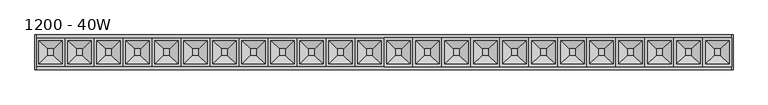
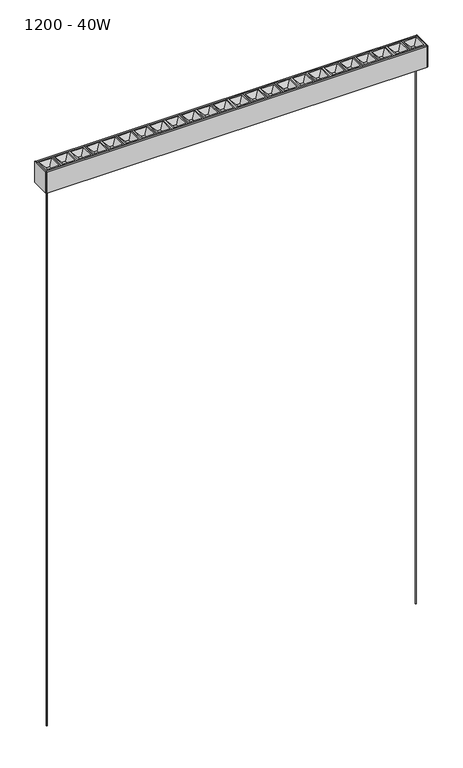
"""IFC4 building model written with IfcOpenShell, lengths in millimetres: light fixture geometry, 1200 - 40W."""

from ifc_helpers import new_model, si_unit, frame, origin, place, context, project, spatial, polyline, circle_curve, outline, extrude, faceted_brep, source, transform, mapped, element, save
from ifc_brep_helpers import plane_surface, cylinder_surface, advanced_brep


def light_fixture_1200_40w_e6d67e69(model_context):
    return source(origin(), model_context, "Body", "SolidModel", [
        faceted_brep([(600.0, 25.0, 1850.0), (600.0, 25.0, 1870.0), (600.0, -25.0, 1870.0), (600.0, -25.0, 1850.0), (595.0, 20.0, 1870.0), (580.8578644, 5.8578644, 1855.8578644), (580.8578644, -5.8578644, 1855.8578644), (595.0, -20.0, 1870.0), (550.0, -25.0, 1870.0), (550.0, -25.0, 1850.0), (569.1421356, -5.8578644, 1855.8578644), (555.0, -20.0, 1870.0), (550.0, 25.0, 1870.0), (550.0, 25.0, 1850.0), (569.1421356, 5.8578644, 1855.8578644), (555.0, 20.0, 1870.0)], [[[0, 1, 2, 3]], [[4, 5, 6, 7]], [[3, 2, 8, 9]], [[7, 6, 10, 11]], [[9, 8, 12, 13]], [[11, 10, 14, 15]], [[1, 12, 8, 2], [7, 11, 15, 4]], [[13, 12, 1, 0]], [[3, 9, 13, 0]], [[5, 14, 10, 6]], [[15, 14, 5, 4]]]),
        faceted_brep([(550.0, 25.0, 1850.0), (550.0, 25.0, 1870.0), (550.0, -25.0, 1870.0), (550.0, -25.0, 1850.0), (545.0, 20.0, 1870.0), (530.8578644, 5.8578644, 1855.8578644), (530.8578644, -5.8578644, 1855.8578644), (545.0, -20.0, 1870.0), (500.0, -25.0, 1870.0), (500.0, -25.0, 1850.0), (519.1421356, -5.8578644, 1855.8578644), (505.0, -20.0, 1870.0), (500.0, 25.0, 1870.0), (500.0, 25.0, 1850.0), (519.1421356, 5.8578644, 1855.8578644), (505.0, 20.0, 1870.0)], [[[0, 1, 2, 3]], [[4, 5, 6, 7]], [[3, 2, 8, 9]], [[7, 6, 10, 11]], [[9, 8, 12, 13]], [[11, 10, 14, 15]], [[1, 12, 8, 2], [7, 11, 15, 4]], [[13, 12, 1, 0]], [[3, 9, 13, 0]], [[5, 14, 10, 6]], [[15, 14, 5, 4]]]),
        faceted_brep([(500.0, 25.0, 1850.0), (500.0, 25.0, 1870.0), (500.0, -25.0, 1870.0), (500.0, -25.0, 1850.0), (495.0, 20.0, 1870.0), (480.8578644, 5.8578644, 1855.8578644), (480.8578644, -5.8578644, 1855.8578644), (495.0, -20.0, 1870.0), (450.0, -25.0, 1870.0), (450.0, -25.0, 1850.0), (469.1421356, -5.8578644, 1855.8578644), (455.0, -20.0, 1870.0), (450.0, 25.0, 1870.0), (450.0, 25.0, 1850.0), (469.1421356, 5.8578644, 1855.8578644), (455.0, 20.0, 1870.0)], [[[0, 1, 2, 3]], [[4, 5, 6, 7]], [[3, 2, 8, 9]], [[7, 6, 10, 11]], [[9, 8, 12, 13]], [[11, 10, 14, 15]], [[1, 12, 8, 2], [7, 11, 15, 4]], [[13, 12, 1, 0]], [[3, 9, 13, 0]], [[5, 14, 10, 6]], [[15, 14, 5, 4]]]),
        faceted_brep([(450.0, 25.0, 1850.0), (450.0, 25.0, 1870.0), (450.0, -25.0, 1870.0), (450.0, -25.0, 1850.0), (445.0, 20.0, 1870.0), (430.8578644, 5.8578644, 1855.8578644), (430.8578644, -5.8578644, 1855.8578644), (445.0, -20.0, 1870.0), (400.0, -25.0, 1870.0), (400.0, -25.0, 1850.0), (419.1421356, -5.8578644, 1855.8578644), (405.0, -20.0, 1870.0), (400.0, 25.0, 1870.0), (400.0, 25.0, 1850.0), (419.1421356, 5.8578644, 1855.8578644), (405.0, 20.0, 1870.0)], [[[0, 1, 2, 3]], [[4, 5, 6, 7]], [[3, 2, 8, 9]], [[7, 6, 10, 11]], [[9, 8, 12, 13]], [[11, 10, 14, 15]], [[1, 12, 8, 2], [7, 11, 15, 4]], [[13, 12, 1, 0]], [[3, 9, 13, 0]], [[5, 14, 10, 6]], [[15, 14, 5, 4]]]),
        faceted_brep([(400.0, 25.0, 1850.0), (400.0, 25.0, 1870.0), (400.0, -25.0, 1870.0), (400.0, -25.0, 1850.0), (395.0, 20.0, 1870.0), (380.8578644, 5.8578644, 1855.8578644), (380.8578644, -5.8578644, 1855.8578644), (395.0, -20.0, 1870.0), (350.0, -25.0, 1870.0), (350.0, -25.0, 1850.0), (369.1421356, -5.8578644, 1855.8578644), (355.0, -20.0, 1870.0), (350.0, 25.0, 1870.0), (350.0, 25.0, 1850.0), (369.1421356, 5.8578644, 1855.8578644), (355.0, 20.0, 1870.0)], [[[0, 1, 2, 3]], [[4, 5, 6, 7]], [[3, 2, 8, 9]], [[7, 6, 10, 11]], [[9, 8, 12, 13]], [[11, 10, 14, 15]], [[1, 12, 8, 2], [7, 11, 15, 4]], [[13, 12, 1, 0]], [[3, 9, 13, 0]], [[5, 14, 10, 6]], [[15, 14, 5, 4]]]),
        faceted_brep([(350.0, 25.0, 1850.0), (350.0, 25.0, 1870.0), (350.0, -25.0, 1870.0), (350.0, -25.0, 1850.0), (345.0, 20.0, 1870.0), (330.8578644, 5.8578644, 1855.8578644), (330.8578644, -5.8578644, 1855.8578644), (345.0, -20.0, 1870.0), (300.0, -25.0, 1870.0), (300.0, -25.0, 1850.0), (319.1421356, -5.8578644, 1855.8578644), (305.0, -20.0, 1870.0), (300.0, 25.0, 1870.0), (300.0, 25.0, 1850.0), (319.1421356, 5.8578644, 1855.8578644), (305.0, 20.0, 1870.0)], [[[0, 1, 2, 3]], [[4, 5, 6, 7]], [[3, 2, 8, 9]], [[7, 6, 10, 11]], [[9, 8, 12, 13]], [[11, 10, 14, 15]], [[1, 12, 8, 2], [7, 11, 15, 4]], [[13, 12, 1, 0]], [[3, 9, 13, 0]], [[5, 14, 10, 6]], [[15, 14, 5, 4]]]),
        faceted_brep([(300.0, 25.0, 1850.0), (300.0, 25.0, 1870.0), (300.0, -25.0, 1870.0), (300.0, -25.0, 1850.0), (295.0, 20.0, 1870.0), (280.8578644, 5.8578644, 1855.8578644), (280.8578644, -5.8578644, 1855.8578644), (295.0, -20.0, 1870.0), (250.0, -25.0, 1870.0), (250.0, -25.0, 1850.0), (269.1421356, -5.8578644, 1855.8578644), (255.0, -20.0, 1870.0), (250.0, 25.0, 1870.0), (250.0, 25.0, 1850.0), (269.1421356, 5.8578644, 1855.8578644), (255.0, 20.0, 1870.0)], [[[0, 1, 2, 3]], [[4, 5, 6, 7]], [[3, 2, 8, 9]], [[7, 6, 10, 11]], [[9, 8, 12, 13]], [[11, 10, 14, 15]], [[1, 12, 8, 2], [7, 11, 15, 4]], [[13, 12, 1, 0]], [[3, 9, 13, 0]], [[5, 14, 10, 6]], [[15, 14, 5, 4]]]),
        faceted_brep([(250.0, 25.0, 1850.0), (250.0, 25.0, 1870.0), (250.0, -25.0, 1870.0), (250.0, -25.0, 1850.0), (245.0, 20.0, 1870.0), (230.8578644, 5.8578644, 1855.8578644), (230.8578644, -5.8578644, 1855.8578644), (245.0, -20.0, 1870.0), (200.0, -25.0, 1870.0), (200.0, -25.0, 1850.0), (219.1421356, -5.8578644, 1855.8578644), (205.0, -20.0, 1870.0), (200.0, 25.0, 1870.0), (200.0, 25.0, 1850.0), (219.1421356, 5.8578644, 1855.8578644), (205.0, 20.0, 1870.0)], [[[0, 1, 2, 3]], [[4, 5, 6, 7]], [[3, 2, 8, 9]], [[7, 6, 10, 11]], [[9, 8, 12, 13]], [[11, 10, 14, 15]], [[1, 12, 8, 2], [7, 11, 15, 4]], [[13, 12, 1, 0]], [[3, 9, 13, 0]], [[5, 14, 10, 6]], [[15, 14, 5, 4]]]),
        faceted_brep([(200.0, 25.0, 1850.0), (200.0, 25.0, 1870.0), (200.0, -25.0, 1870.0), (200.0, -25.0, 1850.0), (195.0, 20.0, 1870.0), (180.8578644, 5.8578644, 1855.8578644), (180.8578644, -5.8578644, 1855.8578644), (195.0, -20.0, 1870.0), (150.0, -25.0, 1870.0), (150.0, -25.0, 1850.0), (169.1421356, -5.8578644, 1855.8578644), (155.0, -20.0, 1870.0), (150.0, 25.0, 1870.0), (150.0, 25.0, 1850.0), (169.1421356, 5.8578644, 1855.8578644), (155.0, 20.0, 1870.0)], [[[0, 1, 2, 3]], [[4, 5, 6, 7]], [[3, 2, 8, 9]], [[7, 6, 10, 11]], [[9, 8, 12, 13]], [[11, 10, 14, 15]], [[1, 12, 8, 2], [7, 11, 15, 4]], [[13, 12, 1, 0]], [[3, 9, 13, 0]], [[5, 14, 10, 6]], [[15, 14, 5, 4]]]),
        faceted_brep([(150.0, 25.0, 1850.0), (150.0, 25.0, 1870.0), (150.0, -25.0, 1870.0), (150.0, -25.0, 1850.0), (145.0, 20.0, 1870.0), (130.8578644, 5.8578644, 1855.8578644), (130.8578644, -5.8578644, 1855.8578644), (145.0, -20.0, 1870.0), (100.0, -25.0, 1870.0), (100.0, -25.0, 1850.0), (119.1421356, -5.8578644, 1855.8578644), (105.0, -20.0, 1870.0), (100.0, 25.0, 1870.0), (100.0, 25.0, 1850.0), (119.1421356, 5.8578644, 1855.8578644), (105.0, 20.0, 1870.0)], [[[0, 1, 2, 3]], [[4, 5, 6, 7]], [[3, 2, 8, 9]], [[7, 6, 10, 11]], [[9, 8, 12, 13]], [[11, 10, 14, 15]], [[1, 12, 8, 2], [7, 11, 15, 4]], [[13, 12, 1, 0]], [[3, 9, 13, 0]], [[5, 14, 10, 6]], [[15, 14, 5, 4]]]),
        faceted_brep([(100.0, 25.0, 1850.0), (100.0, 25.0, 1870.0), (100.0, -25.0, 1870.0), (100.0, -25.0, 1850.0), (95.0, 20.0, 1870.0), (80.8578644, 5.8578644, 1855.8578644), (80.8578644, -5.8578644, 1855.8578644), (95.0, -20.0, 1870.0), (50.0, -25.0, 1870.0), (50.0, -25.0, 1850.0), (69.1421356, -5.8578644, 1855.8578644), (55.0, -20.0, 1870.0), (50.0, 25.0, 1870.0), (50.0, 25.0, 1850.0), (69.1421356, 5.8578644, 1855.8578644), (55.0, 20.0, 1870.0)], [[[0, 1, 2, 3]], [[4, 5, 6, 7]], [[3, 2, 8, 9]], [[7, 6, 10, 11]], [[9, 8, 12, 13]], [[11, 10, 14, 15]], [[1, 12, 8, 2], [7, 11, 15, 4]], [[13, 12, 1, 0]], [[3, 9, 13, 0]], [[5, 14, 10, 6]], [[15, 14, 5, 4]]]),
        faceted_brep([(50.0, 25.0, 1850.0), (50.0, 25.0, 1870.0), (50.0, -25.0, 1870.0), (50.0, -25.0, 1850.0), (45.0, 20.0, 1870.0), (30.8578644, 5.8578644, 1855.8578644), (30.8578644, -5.8578644, 1855.8578644), (45.0, -20.0, 1870.0), (0.0, -25.0, 1870.0), (0.0, -25.0, 1850.0), (19.1421356, -5.8578644, 1855.8578644), (5.0, -20.0, 1870.0), (0.0, 25.0, 1870.0), (0.0, 25.0, 1850.0), (19.1421356, 5.8578644, 1855.8578644), (5.0, 20.0, 1870.0)], [[[0, 1, 2, 3]], [[4, 5, 6, 7]], [[3, 2, 8, 9]], [[7, 6, 10, 11]], [[9, 8, 12, 13]], [[11, 10, 14, 15]], [[1, 12, 8, 2], [7, 11, 15, 4]], [[13, 12, 1, 0]], [[3, 9, 13, 0]], [[5, 14, 10, 6]], [[15, 14, 5, 4]]]),
        advanced_brep(
        [(579.0, 0.0, 1790.0), (585.0, 0.0, 1790.0), (583.5, 0.0, 1790.0), (580.5, 0.0, 1790.0), (583.5, 0.0, 0.0), (580.5, 0.0, 0.0), (582.0, 0.0, 0.0), (582.0, 0.0, 1800.0), (585.0, 0.0, 1800.0), (579.0, 0.0, 1800.0)],
        [
            (0, 1, circle_curve(frame((582.0, 0.0, 1790.0), z_axis=(0.0, 0.0, -1.0), x_axis=(1.0, 0.0, 0.0)), 3.0)),
            (1, 2),
            (2, 3, circle_curve(frame((582.0, 0.0, 1790.0), z_axis=(0.0, 0.0, 1.0), x_axis=(1.0, 0.0, 0.0)), 1.5)),
            (3, 0),
            (1, 0, circle_curve(frame((582.0, 0.0, 1790.0), z_axis=(0.0, 0.0, -1.0), x_axis=(1.0, 0.0, 0.0)), 3.0)),
            (3, 2, circle_curve(frame((582.0, 0.0, 1790.0), z_axis=(0.0, 0.0, 1.0), x_axis=(1.0, 0.0, 0.0)), 1.5)),
            (2, 4),
            (4, 5, circle_curve(frame((582.0, 0.0, 0.0), z_axis=(0.0, 0.0, 1.0), x_axis=(1.0, 0.0, 0.0)), 1.5)),
            (5, 3),
            (5, 4, circle_curve(frame((582.0, 0.0, 0.0), z_axis=(0.0, 0.0, 1.0), x_axis=(1.0, 0.0, 0.0)), 1.5)),
            (4, 6),
            (6, 5),
            (7, 8),
            (8, 9, circle_curve(frame((582.0, 0.0, 1800.0), z_axis=(0.0, 0.0, 1.0), x_axis=(1.0, 0.0, 0.0)), 3.0)),
            (9, 7),
            (9, 8, circle_curve(frame((582.0, 0.0, 1800.0), z_axis=(0.0, 0.0, 1.0), x_axis=(1.0, 0.0, 0.0)), 3.0)),
            (8, 1),
            (0, 9),
        ],
        [
            plane_surface(frame((582.0, 0.0, 1790.0), z_axis=(0.0, 0.0, -1.0), x_axis=(1.0, 0.0, 0.0))),
            cylinder_surface(frame((582.0, 0.0, 60.0), z_axis=(0.0, 0.0, 1.0), x_axis=(1.0, 0.0, 0.0)), 1.5),
            plane_surface(frame((582.0, 0.0, 0.0), z_axis=(0.0, 0.0, -1.0), x_axis=(1.0, 0.0, 0.0))),
            plane_surface(frame((582.0, 0.0, 1800.0), z_axis=(0.0, 0.0, 1.0), x_axis=(1.0, 0.0, 0.0))),
            cylinder_surface(frame((582.0, 0.0, 60.0), z_axis=(0.0, 0.0, 1.0), x_axis=(1.0, 0.0, 0.0)), 3.0),
        ],
        [
            (0, [[1, 2, 3, 4]]),
            (0, [[5, -4, 6, -2]]),
            (1, [[-3, 7, 8, 9]]),
            (1, [[-6, -9, 10, -7]]),
            (2, [[-8, 11, 12]]),
            (2, [[-10, -12, -11]]),
            (3, [[13, 14, 15]]),
            (3, [[-15, 16, -13]]),
            (4, [[-14, 17, -1, 18]]),
            (4, [[-16, -18, -5, -17]]),
        ],
    ),
        advanced_brep(
        [(-580.5, 0.0, 1790.0), (-583.5, 0.0, 1790.0), (-585.0, 0.0, 1790.0), (-579.0, 0.0, 1790.0), (-580.5, 0.0, 0.0), (-583.5, 0.0, 0.0), (-582.0, 0.0, 0.0), (-579.0, 0.0, 1800.0), (-585.0, 0.0, 1800.0), (-582.0, 0.0, 1800.0)],
        [
            (0, 1, circle_curve(frame((-582.0, 0.0, 1790.0), z_axis=(0.0, 0.0, 1.0), x_axis=(-1.0, 0.0, 0.0)), 1.5)),
            (1, 2),
            (2, 3, circle_curve(frame((-582.0, 0.0, 1790.0), z_axis=(0.0, 0.0, -1.0), x_axis=(-1.0, 0.0, 0.0)), 3.0)),
            (3, 0),
            (1, 0, circle_curve(frame((-582.0, 0.0, 1790.0), z_axis=(0.0, 0.0, 1.0), x_axis=(-1.0, 0.0, 0.0)), 1.5)),
            (3, 2, circle_curve(frame((-582.0, 0.0, 1790.0), z_axis=(0.0, 0.0, -1.0), x_axis=(-1.0, 0.0, 0.0)), 3.0)),
            (4, 5, circle_curve(frame((-582.0, 0.0, 0.0), z_axis=(0.0, 0.0, 1.0), x_axis=(-1.0, 0.0, 0.0)), 1.5)),
            (5, 1),
            (0, 4),
            (5, 4, circle_curve(frame((-582.0, 0.0, 0.0), z_axis=(0.0, 0.0, 1.0), x_axis=(-1.0, 0.0, 0.0)), 1.5)),
            (6, 5),
            (4, 6),
            (7, 8, circle_curve(frame((-582.0, 0.0, 1800.0), z_axis=(0.0, 0.0, 1.0), x_axis=(-1.0, 0.0, 0.0)), 3.0)),
            (8, 9),
            (9, 7),
            (8, 7, circle_curve(frame((-582.0, 0.0, 1800.0), z_axis=(0.0, 0.0, 1.0), x_axis=(-1.0, 0.0, 0.0)), 3.0)),
            (2, 8),
            (7, 3),
        ],
        [
            plane_surface(frame((-582.0, 0.0, 1790.0), z_axis=(0.0, 0.0, -1.0), x_axis=(-1.0, 0.0, 0.0))),
            cylinder_surface(frame((-582.0, 0.0, 60.0), z_axis=(0.0, 0.0, -1.0), x_axis=(-1.0, 0.0, 0.0)), 1.5),
            plane_surface(frame((-582.0, 0.0, 0.0), z_axis=(0.0, 0.0, -1.0), x_axis=(-1.0, 0.0, 0.0))),
            plane_surface(frame((-582.0, 0.0, 1800.0), z_axis=(0.0, 0.0, 1.0), x_axis=(-1.0, 0.0, 0.0))),
            cylinder_surface(frame((-582.0, 0.0, 60.0), z_axis=(0.0, 0.0, -1.0), x_axis=(-1.0, 0.0, 0.0)), 3.0),
        ],
        [
            (0, [[1, 2, 3, 4]]),
            (0, [[5, -4, 6, -2]]),
            (1, [[7, 8, -1, 9]]),
            (1, [[10, -9, -5, -8]]),
            (2, [[11, -7, 12]]),
            (2, [[-12, -10, -11]]),
            (3, [[13, 14, 15]]),
            (3, [[16, -15, -14]]),
            (4, [[-3, 17, -13, 18]]),
            (4, [[-6, -18, -16, -17]]),
        ],
    ),
        extrude(outline(polyline([(600.0, -30.0), (600.0, 30.0), (602.0, 30.0), (602.0, -30.0), (600.0, -30.0)])), frame((0.0, 0.0, 1800.0), z_axis=(0.0, 0.0, 1.0), x_axis=(1.0, 0.0, 0.0)), (0.0, 0.0, 1.0), 70.0),
        extrude(outline(polyline([(-600.0, 30.0), (-600.0, -30.0), (-602.0, -30.0), (-602.0, 30.0), (-600.0, 30.0)])), frame((0.0, 0.0, 1800.0), z_axis=(0.0, 0.0, 1.0), x_axis=(1.0, 0.0, 0.0)), (0.0, 0.0, 1.0), 70.0),
        extrude(outline(polyline([(-25.0, 1870.0), (-25.0, 1850.0), (25.0, 1850.0), (25.0, 1870.0), (30.0, 1870.0), (30.0, 1800.0), (-30.0, 1800.0), (-30.0, 1870.0), (-25.0, 1870.0)])), frame((-600.0, 0.0, 0.0), z_axis=(1.0, 0.0, 0.0), x_axis=(0.0, 1.0, 0.0)), (0.0, 0.0, 1.0), 1200.0),
        faceted_brep([(0.0, 25.0, 1850.0), (0.0, 25.0, 1870.0), (0.0, -25.0, 1870.0), (0.0, -25.0, 1850.0), (-5.0, 20.0, 1870.0), (-19.1421356, 5.8578644, 1855.8578644), (-19.1421356, -5.8578644, 1855.8578644), (-5.0, -20.0, 1870.0), (-50.0, -25.0, 1870.0), (-50.0, -25.0, 1850.0), (-30.8578644, -5.8578644, 1855.8578644), (-45.0, -20.0, 1870.0), (-50.0, 25.0, 1870.0), (-50.0, 25.0, 1850.0), (-30.8578644, 5.8578644, 1855.8578644), (-45.0, 20.0, 1870.0)], [[[0, 1, 2, 3]], [[4, 5, 6, 7]], [[3, 2, 8, 9]], [[7, 6, 10, 11]], [[9, 8, 12, 13]], [[11, 10, 14, 15]], [[1, 12, 8, 2], [7, 11, 15, 4]], [[13, 12, 1, 0]], [[3, 9, 13, 0]], [[5, 14, 10, 6]], [[15, 14, 5, 4]]]),
        faceted_brep([(-50.0, 25.0, 1850.0), (-50.0, 25.0, 1870.0), (-50.0, -25.0, 1870.0), (-50.0, -25.0, 1850.0), (-55.0, 20.0, 1870.0), (-69.1421356, 5.8578644, 1855.8578644), (-69.1421356, -5.8578644, 1855.8578644), (-55.0, -20.0, 1870.0), (-100.0, -25.0, 1870.0), (-100.0, -25.0, 1850.0), (-80.8578644, -5.8578644, 1855.8578644), (-95.0, -20.0, 1870.0), (-100.0, 25.0, 1870.0), (-100.0, 25.0, 1850.0), (-80.8578644, 5.8578644, 1855.8578644), (-95.0, 20.0, 1870.0)], [[[0, 1, 2, 3]], [[4, 5, 6, 7]], [[3, 2, 8, 9]], [[7, 6, 10, 11]], [[9, 8, 12, 13]], [[11, 10, 14, 15]], [[1, 12, 8, 2], [7, 11, 15, 4]], [[13, 12, 1, 0]], [[3, 9, 13, 0]], [[5, 14, 10, 6]], [[15, 14, 5, 4]]]),
        faceted_brep([(-100.0, 25.0, 1850.0), (-100.0, 25.0, 1870.0), (-100.0, -25.0, 1870.0), (-100.0, -25.0, 1850.0), (-105.0, 20.0, 1870.0), (-119.1421356, 5.8578644, 1855.8578644), (-119.1421356, -5.8578644, 1855.8578644), (-105.0, -20.0, 1870.0), (-150.0, -25.0, 1870.0), (-150.0, -25.0, 1850.0), (-130.8578644, -5.8578644, 1855.8578644), (-145.0, -20.0, 1870.0), (-150.0, 25.0, 1870.0), (-150.0, 25.0, 1850.0), (-130.8578644, 5.8578644, 1855.8578644), (-145.0, 20.0, 1870.0)], [[[0, 1, 2, 3]], [[4, 5, 6, 7]], [[3, 2, 8, 9]], [[7, 6, 10, 11]], [[9, 8, 12, 13]], [[11, 10, 14, 15]], [[1, 12, 8, 2], [7, 11, 15, 4]], [[13, 12, 1, 0]], [[3, 9, 13, 0]], [[5, 14, 10, 6]], [[15, 14, 5, 4]]]),
        faceted_brep([(-150.0, 25.0, 1850.0), (-150.0, 25.0, 1870.0), (-150.0, -25.0, 1870.0), (-150.0, -25.0, 1850.0), (-155.0, 20.0, 1870.0), (-169.1421356, 5.8578644, 1855.8578644), (-169.1421356, -5.8578644, 1855.8578644), (-155.0, -20.0, 1870.0), (-200.0, -25.0, 1870.0), (-200.0, -25.0, 1850.0), (-180.8578644, -5.8578644, 1855.8578644), (-195.0, -20.0, 1870.0), (-200.0, 25.0, 1870.0), (-200.0, 25.0, 1850.0), (-180.8578644, 5.8578644, 1855.8578644), (-195.0, 20.0, 1870.0)], [[[0, 1, 2, 3]], [[4, 5, 6, 7]], [[3, 2, 8, 9]], [[7, 6, 10, 11]], [[9, 8, 12, 13]], [[11, 10, 14, 15]], [[1, 12, 8, 2], [7, 11, 15, 4]], [[13, 12, 1, 0]], [[3, 9, 13, 0]], [[5, 14, 10, 6]], [[15, 14, 5, 4]]]),
        faceted_brep([(-200.0, 25.0, 1850.0), (-200.0, 25.0, 1870.0), (-200.0, -25.0, 1870.0), (-200.0, -25.0, 1850.0), (-205.0, 20.0, 1870.0), (-219.1421356, 5.8578644, 1855.8578644), (-219.1421356, -5.8578644, 1855.8578644), (-205.0, -20.0, 1870.0), (-250.0, -25.0, 1870.0), (-250.0, -25.0, 1850.0), (-230.8578644, -5.8578644, 1855.8578644), (-245.0, -20.0, 1870.0), (-250.0, 25.0, 1870.0), (-250.0, 25.0, 1850.0), (-230.8578644, 5.8578644, 1855.8578644), (-245.0, 20.0, 1870.0)], [[[0, 1, 2, 3]], [[4, 5, 6, 7]], [[3, 2, 8, 9]], [[7, 6, 10, 11]], [[9, 8, 12, 13]], [[11, 10, 14, 15]], [[1, 12, 8, 2], [7, 11, 15, 4]], [[13, 12, 1, 0]], [[3, 9, 13, 0]], [[5, 14, 10, 6]], [[15, 14, 5, 4]]]),
        faceted_brep([(-250.0, 25.0, 1850.0), (-250.0, 25.0, 1870.0), (-250.0, -25.0, 1870.0), (-250.0, -25.0, 1850.0), (-255.0, 20.0, 1870.0), (-269.1421356, 5.8578644, 1855.8578644), (-269.1421356, -5.8578644, 1855.8578644), (-255.0, -20.0, 1870.0), (-300.0, -25.0, 1870.0), (-300.0, -25.0, 1850.0), (-280.8578644, -5.8578644, 1855.8578644), (-295.0, -20.0, 1870.0), (-300.0, 25.0, 1870.0), (-300.0, 25.0, 1850.0), (-280.8578644, 5.8578644, 1855.8578644), (-295.0, 20.0, 1870.0)], [[[0, 1, 2, 3]], [[4, 5, 6, 7]], [[3, 2, 8, 9]], [[7, 6, 10, 11]], [[9, 8, 12, 13]], [[11, 10, 14, 15]], [[1, 12, 8, 2], [7, 11, 15, 4]], [[13, 12, 1, 0]], [[3, 9, 13, 0]], [[5, 14, 10, 6]], [[15, 14, 5, 4]]]),
        faceted_brep([(-300.0, 25.0, 1850.0), (-300.0, 25.0, 1870.0), (-300.0, -25.0, 1870.0), (-300.0, -25.0, 1850.0), (-305.0, 20.0, 1870.0), (-319.1421356, 5.8578644, 1855.8578644), (-319.1421356, -5.8578644, 1855.8578644), (-305.0, -20.0, 1870.0), (-350.0, -25.0, 1870.0), (-350.0, -25.0, 1850.0), (-330.8578644, -5.8578644, 1855.8578644), (-345.0, -20.0, 1870.0), (-350.0, 25.0, 1870.0), (-350.0, 25.0, 1850.0), (-330.8578644, 5.8578644, 1855.8578644), (-345.0, 20.0, 1870.0)], [[[0, 1, 2, 3]], [[4, 5, 6, 7]], [[3, 2, 8, 9]], [[7, 6, 10, 11]], [[9, 8, 12, 13]], [[11, 10, 14, 15]], [[1, 12, 8, 2], [7, 11, 15, 4]], [[13, 12, 1, 0]], [[3, 9, 13, 0]], [[5, 14, 10, 6]], [[15, 14, 5, 4]]]),
        faceted_brep([(-350.0, 25.0, 1850.0), (-350.0, 25.0, 1870.0), (-350.0, -25.0, 1870.0), (-350.0, -25.0, 1850.0), (-355.0, 20.0, 1870.0), (-369.1421356, 5.8578644, 1855.8578644), (-369.1421356, -5.8578644, 1855.8578644), (-355.0, -20.0, 1870.0), (-400.0, -25.0, 1870.0), (-400.0, -25.0, 1850.0), (-380.8578644, -5.8578644, 1855.8578644), (-395.0, -20.0, 1870.0), (-400.0, 25.0, 1870.0), (-400.0, 25.0, 1850.0), (-380.8578644, 5.8578644, 1855.8578644), (-395.0, 20.0, 1870.0)], [[[0, 1, 2, 3]], [[4, 5, 6, 7]], [[3, 2, 8, 9]], [[7, 6, 10, 11]], [[9, 8, 12, 13]], [[11, 10, 14, 15]], [[1, 12, 8, 2], [7, 11, 15, 4]], [[13, 12, 1, 0]], [[3, 9, 13, 0]], [[5, 14, 10, 6]], [[15, 14, 5, 4]]]),
        faceted_brep([(-400.0, 25.0, 1850.0), (-400.0, 25.0, 1870.0), (-400.0, -25.0, 1870.0), (-400.0, -25.0, 1850.0), (-405.0, 20.0, 1870.0), (-419.1421356, 5.8578644, 1855.8578644), (-419.1421356, -5.8578644, 1855.8578644), (-405.0, -20.0, 1870.0), (-450.0, -25.0, 1870.0), (-450.0, -25.0, 1850.0), (-430.8578644, -5.8578644, 1855.8578644), (-445.0, -20.0, 1870.0), (-450.0, 25.0, 1870.0), (-450.0, 25.0, 1850.0), (-430.8578644, 5.8578644, 1855.8578644), (-445.0, 20.0, 1870.0)], [[[0, 1, 2, 3]], [[4, 5, 6, 7]], [[3, 2, 8, 9]], [[7, 6, 10, 11]], [[9, 8, 12, 13]], [[11, 10, 14, 15]], [[1, 12, 8, 2], [7, 11, 15, 4]], [[13, 12, 1, 0]], [[3, 9, 13, 0]], [[5, 14, 10, 6]], [[15, 14, 5, 4]]]),
        faceted_brep([(-450.0, 25.0, 1850.0), (-450.0, 25.0, 1870.0), (-450.0, -25.0, 1870.0), (-450.0, -25.0, 1850.0), (-455.0, 20.0, 1870.0), (-469.1421356, 5.8578644, 1855.8578644), (-469.1421356, -5.8578644, 1855.8578644), (-455.0, -20.0, 1870.0), (-500.0, -25.0, 1870.0), (-500.0, -25.0, 1850.0), (-480.8578644, -5.8578644, 1855.8578644), (-495.0, -20.0, 1870.0), (-500.0, 25.0, 1870.0), (-500.0, 25.0, 1850.0), (-480.8578644, 5.8578644, 1855.8578644), (-495.0, 20.0, 1870.0)], [[[0, 1, 2, 3]], [[4, 5, 6, 7]], [[3, 2, 8, 9]], [[7, 6, 10, 11]], [[9, 8, 12, 13]], [[11, 10, 14, 15]], [[1, 12, 8, 2], [7, 11, 15, 4]], [[13, 12, 1, 0]], [[3, 9, 13, 0]], [[5, 14, 10, 6]], [[15, 14, 5, 4]]]),
        faceted_brep([(-500.0, 25.0, 1850.0), (-500.0, 25.0, 1870.0), (-500.0, -25.0, 1870.0), (-500.0, -25.0, 1850.0), (-505.0, 20.0, 1870.0), (-519.1421356, 5.8578644, 1855.8578644), (-519.1421356, -5.8578644, 1855.8578644), (-505.0, -20.0, 1870.0), (-550.0, -25.0, 1870.0), (-550.0, -25.0, 1850.0), (-530.8578644, -5.8578644, 1855.8578644), (-545.0, -20.0, 1870.0), (-550.0, 25.0, 1870.0), (-550.0, 25.0, 1850.0), (-530.8578644, 5.8578644, 1855.8578644), (-545.0, 20.0, 1870.0)], [[[0, 1, 2, 3]], [[4, 5, 6, 7]], [[3, 2, 8, 9]], [[7, 6, 10, 11]], [[9, 8, 12, 13]], [[11, 10, 14, 15]], [[1, 12, 8, 2], [7, 11, 15, 4]], [[13, 12, 1, 0]], [[3, 9, 13, 0]], [[5, 14, 10, 6]], [[15, 14, 5, 4]]]),
        faceted_brep([(-550.0, 25.0, 1850.0), (-550.0, 25.0, 1870.0), (-550.0, -25.0, 1870.0), (-550.0, -25.0, 1850.0), (-555.0, 20.0, 1870.0), (-569.1421356, 5.8578644, 1855.8578644), (-569.1421356, -5.8578644, 1855.8578644), (-555.0, -20.0, 1870.0), (-600.0, -25.0, 1870.0), (-600.0, -25.0, 1850.0), (-580.8578644, -5.8578644, 1855.8578644), (-595.0, -20.0, 1870.0), (-600.0, 25.0, 1870.0), (-600.0, 25.0, 1850.0), (-580.8578644, 5.8578644, 1855.8578644), (-595.0, 20.0, 1870.0)], [[[0, 1, 2, 3]], [[4, 5, 6, 7]], [[3, 2, 8, 9]], [[7, 6, 10, 11]], [[9, 8, 12, 13]], [[11, 10, 14, 15]], [[1, 12, 8, 2], [7, 11, 15, 4]], [[13, 12, 1, 0]], [[3, 9, 13, 0]], [[5, 14, 10, 6]], [[15, 14, 5, 4]]]),
    ])


if __name__ == "__main__":
    model = new_model("IFC4")
    model_context = context("Model", 3, world=origin())
    ifc_project = project(units=[si_unit("LENGTHUNIT", "METRE", prefix="MILLI")], contexts=[model_context])
    site = spatial("IfcSite", under=ifc_project)
    building = spatial("IfcBuilding", under=site)
    placement = place(None, origin())
    light_fixture_1200_40w_shape = light_fixture_1200_40w_e6d67e69(model_context)
    element("IfcLightFixture", 1, ObjectType="1200 - 40W", at=placement, inside=building, context=model_context, shape_type="MappedRepresentation", body=[
        mapped(light_fixture_1200_40w_shape, transform((0.0, 0.0, 0.0), x_axis=(1.0, 0.0, 0.0), y_axis=(0.0, 1.0, 0.0), z_axis=(0.0, 0.0, 1.0))),
    ])
    save(model, "model.ifc")
